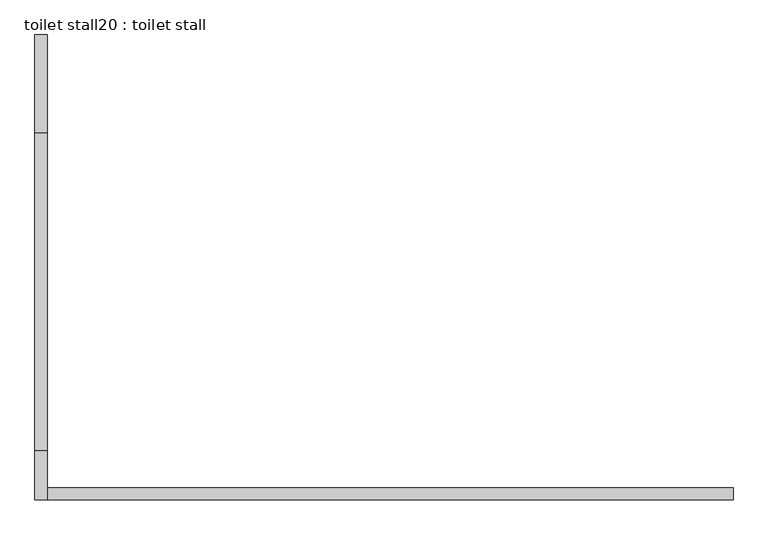
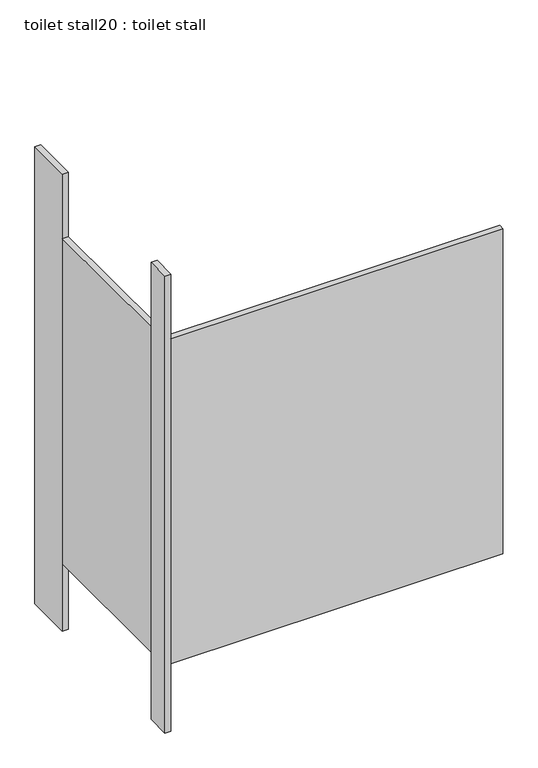
"""IFC4 building model written with IfcOpenShell, lengths in millimetres: proxy geometry, toilet stall20 : toilet stall."""

from ifc_helpers import new_model, si_unit, frame, origin, origin_with_axes, place, context, project, spatial, polyline, outline, extrude, source, transform, mapped, element, save


def toilet_stall20_toilet_stall_6beb5874(model_context):
    return source(origin(), model_context, "Body", "SweptSolid", [
        extrude(outline(polyline([(454658.2004676, -342803.9705223), (454632.8004676, -342803.9705223), (454632.8004676, -342600.7705223), (454658.2004676, -342600.7705223), (454658.2004676, -342803.9705223)])), origin_with_axes(), (0.0, 0.0, 1.0), 2070.1),
        extrude(outline(polyline([(454658.2004676, -343565.9705223), (454632.8004676, -343565.9705223), (454632.8004676, -343464.3705223), (454658.2004676, -343464.3705223), (454658.2004676, -343565.9705223)])), origin_with_axes(), (0.0, 0.0, 1.0), 2070.1),
        extrude(outline(polyline([(454658.2004676, -343565.9705223), (454658.2004676, -343540.5705223), (456080.6004676, -343540.5705223), (456080.6004676, -343565.9705223), (454658.2004676, -343565.9705223)])), frame((0.0, 0.0, 304.8), z_axis=(0.0, 0.0, 1.0), x_axis=(1.0, 0.0, 0.0)), (0.0, 0.0, 1.0), 1473.2),
        extrude(outline(polyline([(454658.2004676, -343464.3705223), (454632.8004676, -343464.3705223), (454632.8004676, -342803.9705223), (454658.2004676, -342803.9705223), (454658.2004676, -343464.3705223)])), frame((0.0, 0.0, 304.8), z_axis=(0.0, 0.0, 1.0), x_axis=(1.0, 0.0, 0.0)), (0.0, 0.0, 1.0), 1473.2),
    ])


if __name__ == "__main__":
    model = new_model("IFC4")
    model_context = context("Model", 3, world=origin())
    ifc_project = project(units=[si_unit("LENGTHUNIT", "METRE", prefix="MILLI")], contexts=[model_context])
    site = spatial("IfcSite", under=ifc_project)
    building = spatial("IfcBuilding", under=site)
    placement = place(None, origin())
    toilet_stall20_toilet_stall_shape = toilet_stall20_toilet_stall_6beb5874(model_context)
    element("IfcBuildingElementProxy", 1, Name="toilet stall20 : toilet stall", ObjectType="toilet stall20 : toilet stall", at=placement, inside=building, context=model_context, shape_type="MappedRepresentation", body=[
        mapped(toilet_stall20_toilet_stall_shape, transform((0.0, 0.0, 0.0), x_axis=(1.0, 0.0, 0.0), y_axis=(0.0, 1.0, 0.0), z_axis=(0.0, 0.0, 1.0))),
    ])
    save(model, "model.ifc")
